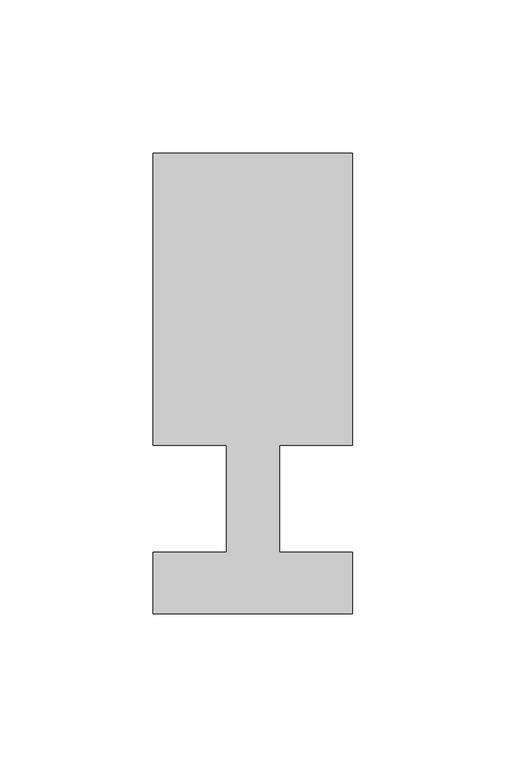
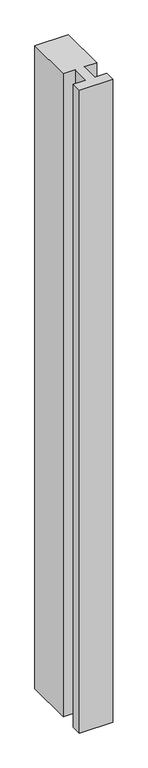
"""IFC4 building model written with IfcOpenShell, lengths in millimetres: member geometry."""

from ifc_helpers import new_model, si_unit, frame, origin, place, context, project, spatial, polyline, outline, extrude, source, transform, mapped, element, save


def member_b588de01(model_context):
    return source(origin(), model_context, "Body", "SweptSolid", [
        extrude(outline(polyline([(0.0, -37.0), (-65.0, -37.0), (-65.0, -17.0), (-41.1875, -17.0), (-41.1875, 18.0), (-65.0, 18.0), (-65.0, 113.0), (0.0, 113.0), (0.0, 18.0), (-23.8125, 18.0), (-23.8125, -17.0), (0.0, -17.0), (0.0, -37.0)])), frame((0.0, 0.0, -1322.5), z_axis=(0.0, 0.0, 1.0), x_axis=(1.0, 0.0, 0.0)), (0.0, 0.0, 1.0), 1322.5),
    ])


if __name__ == "__main__":
    model = new_model("IFC4")
    model_context = context("Model", 3, world=origin())
    ifc_project = project(units=[si_unit("LENGTHUNIT", "METRE", prefix="MILLI")], contexts=[model_context])
    site = spatial("IfcSite", under=ifc_project)
    building = spatial("IfcBuilding", under=site)
    placement = place(None, origin())
    member_shape = member_b588de01(model_context)
    element("IfcMember", 1, at=placement, inside=building, context=model_context, shape_type="MappedRepresentation", body=[
        mapped(member_shape, transform((0.0, 0.0, 0.0), x_axis=(1.0, 0.0, 0.0), y_axis=(0.0, 1.0, 0.0), z_axis=(0.0, 0.0, 1.0))),
    ])
    save(model, "model.ifc")
